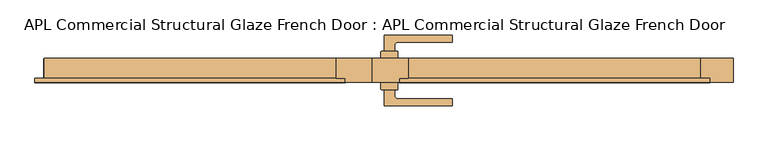
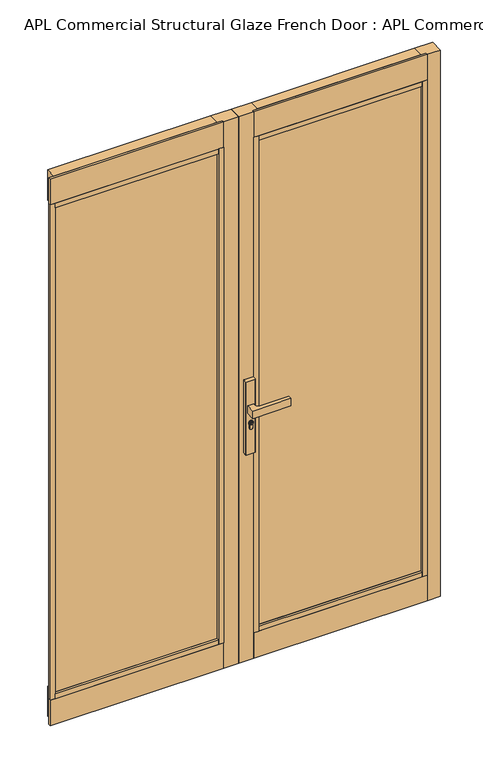
"""IFC4 building model written with IfcOpenShell, lengths in millimetres: door geometry, APL Commercial Structural Glaze French Door : APL Commercial Structural Glaze French Door."""

from ifc_helpers import new_model, si_unit, point, frame, frame_2d, origin, origin_with_axes, place, context, project, spatial, polyline, circle_curve, trimmed, segment, composite_curve, outline, extrude, faceted_brep, source, transform, mapped, element, save


def apl_commercial_structural_glaze_french_door_apl_commercial_c1afeb10(model_context):
    return source(origin(), model_context, "Body", "SolidModel", [
        extrude(outline(composite_curve([segment(trimmed(circle_curve(frame_2d((945.687184, 35.7946715)), 5.9005564), [point((945.687184, 41.6952279))], [point((945.687184, 29.8941151))], False, "CARTESIAN"), True, "CONTINUOUS"), segment(trimmed(circle_curve(frame_2d((945.687184, 35.7946715)), 5.9005564), [point((945.687184, 29.8941151))], [point((945.687184, 41.6952279))], False, "CARTESIAN"), True, "CONTINUOUS")], self_intersect=False), holes=[polyline([(949.7292167, 34.7306001), (949.7292167, 36.7785396), (948.9292167, 36.7785396), (948.3483344, 35.7306001), (947.1634303, 35.7306001), (946.3431864, 36.550844), (944.6002002, 36.550844), (944.0258593, 35.7306001), (941.7685105, 35.7306001), (941.7685105, 34.7306001), (944.5464263, 34.7306001), (945.1207673, 35.550844), (945.9289729, 35.550844), (946.7492167, 34.7306001), (949.7292167, 34.7306001)])]), frame((0.0, 51.3500427, 0.0), z_axis=(0.0, 1.0, 0.0), x_axis=(0.0, 0.0, 1.0)), (0.0, 0.0, 1.0), 4.423715),
        extrude(outline(composite_curve([segment(trimmed(circle_curve(frame_2d((19.1461528, 50.1000422)), 1.0), [point((18.1461528, 50.1000422))], [point((19.1461528, 51.1000422))], False, "CARTESIAN"), True, "CONTINUOUS"), segment(polyline([(19.1461528, 51.1000422), (52.1461525, 51.1000422)]), True, "CONTINUOUS"), segment(trimmed(circle_curve(frame_2d((52.1461525, 50.1000422)), 1.0), [point((52.1461525, 51.1000422))], [point((53.1461525, 50.1000422))], False, "CARTESIAN"), True, "CONTINUOUS"), segment(polyline([(53.1461525, 50.1000422), (53.1461525, 36.1000426), (18.1461528, 36.1000426), (18.1461528, 50.1000422)]), True, "CONTINUOUS")], self_intersect=False)), frame((0.0, 0.0, 822.4734334), z_axis=(0.0, 0.0, 1.0), x_axis=(1.0, 0.0, 0.0)), (0.0, 0.0, 1.0), 287.6450734),
        extrude(outline(composite_curve([segment(polyline([(18.1461528, -27.8999671), (18.1461528, -13.8999674), (53.1461525, -13.8999674), (53.1461525, -27.8999671)]), True, "CONTINUOUS"), segment(trimmed(circle_curve(frame_2d((52.1461525, -27.8999671)), 1.0), [point((53.1461525, -27.8999671))], [point((52.1461525, -28.8999671))], False, "CARTESIAN"), True, "CONTINUOUS"), segment(polyline([(52.1461525, -28.8999671), (19.1461528, -28.8999671)]), True, "CONTINUOUS"), segment(trimmed(circle_curve(frame_2d((19.1461528, -27.8999671)), 1.0), [point((19.1461528, -28.8999671))], [point((18.1461528, -27.8999671))], False, "CARTESIAN"), True, "CONTINUOUS")], self_intersect=False)), frame((0.0, 0.0, 822.4734334), z_axis=(0.0, 0.0, 1.0), x_axis=(1.0, 0.0, 0.0)), (0.0, 0.0, 1.0), 287.6450734),
        extrude(outline(composite_curve([segment(trimmed(circle_curve(frame_2d((945.687184, 35.7946715)), 8.4005564), [point((939.648662, 41.6346715))], [point((939.2521745, 30.3946715))], False, "CARTESIAN"), True, "CONTINUOUS"), segment(polyline([(939.2521745, 30.3946715), (926.2077404, 30.3946715)]), True, "CONTINUOUS"), segment(trimmed(circle_curve(frame_2d((926.2077404, 36.0146715)), 5.62), [point((926.2077404, 30.3946715))], [point((926.2077404, 41.6346715))], False, "CARTESIAN"), True, "CONTINUOUS"), segment(polyline([(926.2077404, 41.6346715), (939.648662, 41.6346715)]), True, "CONTINUOUS")], self_intersect=False), holes=[composite_curve([segment(trimmed(circle_curve(frame_2d((945.687184, 35.7946715)), 6.4005564), [point((945.687184, 42.1952279))], [point((945.687184, 29.3941151))], True, "CARTESIAN"), True, "CONTINUOUS"), segment(trimmed(circle_curve(frame_2d((945.687184, 35.7946715)), 6.4005564), [point((945.687184, 29.3941151))], [point((945.687184, 42.1952279))], True, "CARTESIAN"), True, "CONTINUOUS")], self_intersect=False)]), frame((0.0, 51.3500427, 0.0), z_axis=(0.0, 1.0, 0.0), x_axis=(0.0, 0.0, 1.0)), (0.0, 0.0, 1.0), 3.0593403),
        extrude(outline(composite_curve([segment(trimmed(circle_curve(frame_2d((945.687184, 35.7946715)), 6.4005564), [point((945.687184, 29.3941151))], [point((945.687184, 42.1952279))], False, "CARTESIAN"), True, "CONTINUOUS"), segment(trimmed(circle_curve(frame_2d((945.687184, 35.7946715)), 6.4005564), [point((945.687184, 42.1952279))], [point((945.687184, 29.3941151))], False, "CARTESIAN"), True, "CONTINUOUS")], self_intersect=False), holes=[composite_curve([segment(trimmed(circle_curve(frame_2d((945.687184, 35.7946715)), 5.9005564), [point((945.687184, 29.8941151))], [point((945.687184, 41.6952279))], True, "CARTESIAN"), True, "CONTINUOUS"), segment(trimmed(circle_curve(frame_2d((945.687184, 35.7946715)), 5.9005564), [point((945.687184, 41.6952279))], [point((945.687184, 29.8941151))], True, "CARTESIAN"), True, "CONTINUOUS")], self_intersect=False)]), frame((0.0, 51.3500427, 0.0), z_axis=(0.0, 1.0, 0.0), x_axis=(0.0, 0.0, 1.0)), (0.0, 0.0, 1.0), 3.0593403),
        extrude(outline(composite_curve([segment(polyline([(939.1595834, 30.1946715), (926.2077404, 30.1946715)]), True, "CONTINUOUS"), segment(trimmed(circle_curve(frame_2d((926.2077404, 36.0146715)), 5.82), [point((926.2077404, 30.1946715))], [point((926.2077404, 41.8346715))], False, "CARTESIAN"), True, "CONTINUOUS"), segment(polyline([(926.2077404, 41.8346715), (939.564442, 41.8346715)]), True, "CONTINUOUS"), segment(trimmed(circle_curve(frame_2d((945.687184, 35.7946715)), 8.6005564), [point((939.564442, 41.8346715))], [point((939.1595834, 30.1946715))], False, "CARTESIAN"), True, "CONTINUOUS")], self_intersect=False), holes=[composite_curve([segment(polyline([(926.2077404, 30.3946715), (939.2521745, 30.3946715)]), True, "CONTINUOUS"), segment(trimmed(circle_curve(frame_2d((945.687184, 35.7946715)), 8.4005564), [point((939.2521745, 30.3946715))], [point((939.648662, 41.6346715))], True, "CARTESIAN"), True, "CONTINUOUS"), segment(polyline([(939.648662, 41.6346715), (926.2077404, 41.6346715)]), True, "CONTINUOUS"), segment(trimmed(circle_curve(frame_2d((926.2077404, 36.0146715)), 5.62), [point((926.2077404, 41.6346715))], [point((926.2077404, 30.3946715))], True, "CARTESIAN"), True, "CONTINUOUS")], self_intersect=False)]), frame((0.0, 51.3500427, 0.0), z_axis=(0.0, 1.0, 0.0), x_axis=(0.0, 0.0, 1.0)), (0.0, 0.0, 1.0), 3.0593403),
        extrude(outline(composite_curve([segment(trimmed(circle_curve(frame_2d((91.646153, -851.6499574)), 939.0), [point((24.6461526, 84.9566836))], [point((166.646158, 84.3500422))], False, "CARTESIAN"), True, "CONTINUOUS"), segment(polyline([(166.646158, 84.3500422), (166.646158, 70.3500412), (54.1506874, 70.3500412)]), True, "CONTINUOUS"), segment(trimmed(circle_curve(frame_2d((54.1461526, 62.8500426)), 7.5), [point((54.1506874, 70.3500412))], [point((46.6461526, 62.8500426))], True, "CARTESIAN"), True, "CONTINUOUS"), segment(polyline([(46.6461526, 62.8500426), (46.6461526, 51.3500427), (24.6461526, 51.3500427), (24.6461526, 84.9566836)]), True, "CONTINUOUS")], self_intersect=False)), frame((0.0, 0.0, 985.1796291), z_axis=(0.0, 0.0, 1.0), x_axis=(1.0, 0.0, 0.0)), (0.0, 0.0, 1.0), 29.6407418),
        extrude(outline(composite_curve([segment(trimmed(circle_curve(frame_2d((945.687184, 35.7946715)), 5.9005564), [point((945.687184, 41.6952279))], [point((945.687184, 29.8941151))], False, "CARTESIAN"), True, "CONTINUOUS"), segment(trimmed(circle_curve(frame_2d((945.687184, 35.7946715)), 5.9005564), [point((945.687184, 29.8941151))], [point((945.687184, 41.6952279))], False, "CARTESIAN"), True, "CONTINUOUS")], self_intersect=False), holes=[polyline([(949.7292167, 34.7306001), (949.7292167, 36.7785396), (948.9292167, 36.7785396), (948.3483344, 35.7306001), (947.1634303, 35.7306001), (946.3431864, 36.550844), (944.6002002, 36.550844), (944.0258593, 35.7306001), (941.7685105, 35.7306001), (941.7685105, 34.7306001), (944.5464263, 34.7306001), (945.1207673, 35.550844), (945.9289729, 35.550844), (946.7492167, 34.7306001), (949.7292167, 34.7306001)])]), frame((0.0, -33.5736826, 0.0), z_axis=(0.0, 1.0, 0.0), x_axis=(0.0, 0.0, 1.0)), (0.0, 0.0, 1.0), 4.423715),
        extrude(outline(composite_curve([segment(trimmed(circle_curve(frame_2d((945.687184, 35.7946715)), 8.4005564), [point((939.648662, 41.6346715))], [point((939.2521745, 30.3946715))], False, "CARTESIAN"), True, "CONTINUOUS"), segment(polyline([(939.2521745, 30.3946715), (926.2077404, 30.3946715)]), True, "CONTINUOUS"), segment(trimmed(circle_curve(frame_2d((926.2077404, 36.0146715)), 5.62), [point((926.2077404, 30.3946715))], [point((926.2077404, 41.6346715))], False, "CARTESIAN"), True, "CONTINUOUS"), segment(polyline([(926.2077404, 41.6346715), (939.648662, 41.6346715)]), True, "CONTINUOUS")], self_intersect=False), holes=[composite_curve([segment(trimmed(circle_curve(frame_2d((945.687184, 35.7946715)), 6.4005564), [point((945.687184, 42.1952279))], [point((945.687184, 29.3941151))], True, "CARTESIAN"), True, "CONTINUOUS"), segment(trimmed(circle_curve(frame_2d((945.687184, 35.7946715)), 6.4005564), [point((945.687184, 29.3941151))], [point((945.687184, 42.1952279))], True, "CARTESIAN"), True, "CONTINUOUS")], self_intersect=False)]), frame((0.0, -32.2093079, 0.0), z_axis=(0.0, 1.0, 0.0), x_axis=(0.0, 0.0, 1.0)), (0.0, 0.0, 1.0), 3.0593403),
        extrude(outline(composite_curve([segment(trimmed(circle_curve(frame_2d((945.687184, 35.7946715)), 6.4005564), [point((945.687184, 29.3941151))], [point((945.687184, 42.1952279))], False, "CARTESIAN"), True, "CONTINUOUS"), segment(trimmed(circle_curve(frame_2d((945.687184, 35.7946715)), 6.4005564), [point((945.687184, 42.1952279))], [point((945.687184, 29.3941151))], False, "CARTESIAN"), True, "CONTINUOUS")], self_intersect=False), holes=[composite_curve([segment(trimmed(circle_curve(frame_2d((945.687184, 35.7946715)), 5.9005564), [point((945.687184, 29.8941151))], [point((945.687184, 41.6952279))], True, "CARTESIAN"), True, "CONTINUOUS"), segment(trimmed(circle_curve(frame_2d((945.687184, 35.7946715)), 5.9005564), [point((945.687184, 41.6952279))], [point((945.687184, 29.8941151))], True, "CARTESIAN"), True, "CONTINUOUS")], self_intersect=False)]), frame((0.0, -32.2093079, 0.0), z_axis=(0.0, 1.0, 0.0), x_axis=(0.0, 0.0, 1.0)), (0.0, 0.0, 1.0), 3.0593403),
        extrude(outline(composite_curve([segment(polyline([(939.1595834, 30.1946715), (926.2077404, 30.1946715)]), True, "CONTINUOUS"), segment(trimmed(circle_curve(frame_2d((926.2077404, 36.0146715)), 5.82), [point((926.2077404, 30.1946715))], [point((926.2077404, 41.8346715))], False, "CARTESIAN"), True, "CONTINUOUS"), segment(polyline([(926.2077404, 41.8346715), (939.564442, 41.8346715)]), True, "CONTINUOUS"), segment(trimmed(circle_curve(frame_2d((945.687184, 35.7946715)), 8.6005564), [point((939.564442, 41.8346715))], [point((939.1595834, 30.1946715))], False, "CARTESIAN"), True, "CONTINUOUS")], self_intersect=False), holes=[composite_curve([segment(polyline([(926.2077404, 30.3946715), (939.2521745, 30.3946715)]), True, "CONTINUOUS"), segment(trimmed(circle_curve(frame_2d((945.687184, 35.7946715)), 8.4005564), [point((939.2521745, 30.3946715))], [point((939.648662, 41.6346715))], True, "CARTESIAN"), True, "CONTINUOUS"), segment(polyline([(939.648662, 41.6346715), (926.2077404, 41.6346715)]), True, "CONTINUOUS"), segment(trimmed(circle_curve(frame_2d((926.2077404, 36.0146715)), 5.62), [point((926.2077404, 41.6346715))], [point((926.2077404, 30.3946715))], True, "CARTESIAN"), True, "CONTINUOUS")], self_intersect=False)]), frame((0.0, -32.2093079, 0.0), z_axis=(0.0, 1.0, 0.0), x_axis=(0.0, 0.0, 1.0)), (0.0, 0.0, 1.0), 3.0593403),
        extrude(outline(composite_curve([segment(polyline([(24.6461526, -62.7566084), (24.6461526, -29.1499676), (46.6461526, -29.1499676), (46.6461526, -40.6499674)]), True, "CONTINUOUS"), segment(trimmed(circle_curve(frame_2d((54.1461526, -40.6499674)), 7.5), [point((46.6461526, -40.6499674))], [point((54.1506874, -48.1499661))], True, "CARTESIAN"), True, "CONTINUOUS"), segment(polyline([(54.1506874, -48.1499661), (166.646158, -48.1499661), (166.646158, -62.149967)]), True, "CONTINUOUS"), segment(trimmed(circle_curve(frame_2d((91.646153, 873.8500326)), 939.0), [point((166.646158, -62.149967))], [point((24.6461526, -62.7566084))], False, "CARTESIAN"), True, "CONTINUOUS")], self_intersect=False)), frame((0.0, 0.0, 985.1796291), z_axis=(0.0, 0.0, 1.0), x_axis=(1.0, 0.0, 0.0)), (0.0, 0.0, 1.0), 29.6407418),
        extrude(outline(polyline([(74.9951849, -4.9045752), (74.9951849, -13.8999674), (55.9951829, -13.8999674), (55.9951829, -4.9045752), (74.9951849, -4.9045752)])), frame((0.0, 0.0, 100.0), z_axis=(0.0, 0.0, 1.0), x_axis=(1.0, 0.0, 0.0)), (0.0, 0.0, 1.0), 1953.0001013),
        extrude(outline(polyline([(-56.0, -4.9045752), (-56.0, -13.8999674), (-75.000002, -13.8999674), (-75.000002, -4.9045752), (-56.0, -4.9045752)])), frame((0.0, 0.0, 100.0), z_axis=(0.0, 0.0, 1.0), x_axis=(1.0, 0.0, 0.0)), (0.0, 0.0, 1.0), 1953.0001013),
        faceted_brep([(75.0, 36.1000426, 119.05), (75.0, 36.1000426, 0.0), (75.0, -4.9045752, 0.0), (75.0, -4.9045752, 100.0), (75.0, -4.9045752, 119.05), (684.000022, 36.1000426, 119.05), (684.000022, -4.9045752, 119.05), (684.000022, -4.9045752, 100.0), (684.000022, -4.9045752, 0.0), (684.000022, 36.1000426, 0.0), (703.000024, -4.9045752, 0.0), (703.000024, -13.8999674, 0.0), (56.0654397, -13.8999674, 0.0), (56.0654397, -4.9045752, 0.0), (56.0654397, -4.9045752, 100.0), (56.0654397, -13.8999674, 100.0), (703.000024, -4.9045752, 100.0), (703.000024, -13.8999674, 100.0)], [[[0, 1, 2, 3, 4]], [[5, 6, 7, 8, 9]], [[0, 5, 9, 1]], [[4, 6, 5, 0]], [[4, 3, 7, 6]], [[1, 9, 8, 10, 11, 12, 13, 2]], [[14, 13, 12, 15]], [[16, 17, 11, 10]], [[10, 8, 7, 16]], [[14, 3, 2, 13]], [[15, 17, 16, 7, 3, 14]], [[12, 11, 17, 15]]]),
        extrude(outline(polyline([(0.0, 36.1000426), (75.0, 36.1000426), (75.0, -4.9045752), (56.0, -4.9045752), (56.0, -13.8999674), (0.0, -13.8999674), (0.0, 36.1000426)])), origin_with_axes(), (0.0, 0.0, 1.0), 2153.0501013),
        extrude(outline(polyline([(0.0, 36.1000326), (0.0, -13.8999674), (-56.0, -13.8999674), (-56.0, -4.9045752), (-75.000002, -4.9045752), (-75.000002, 36.1000326), (0.0, 36.1000326)])), origin_with_axes(), (0.0, 0.0, 1.0), 2153.0501013),
        extrude(outline(polyline([(-75.0, -4.9045752), (-683.90533, -4.9045752), (-683.90533, 16.0954248), (-75.0, 16.0954248), (-75.0, -4.9045752)])), frame((0.0, 0.0, 119.05), z_axis=(0.0, 0.0, 1.0), x_axis=(1.0, 0.0, 0.0)), (0.0, 0.0, 1.0), 1914.9500992),
        extrude(outline(polyline([(-56.0, -13.8999674), (-702.9042559, -13.8999674), (-702.9042559, -4.9045752), (-56.0, -4.9045752), (-56.0, -13.8999674)])), frame((0.0, 0.0, 2053.0001013), z_axis=(0.0, 0.0, 1.0), x_axis=(1.0, 0.0, 0.0)), (0.0, 0.0, 1.0), 100.05),
        extrude(outline(polyline([(-75.000002, -4.9045752), (-683.90533, -4.9045752), (-683.90533, 36.1000651), (-75.000002, 36.1000651), (-75.000002, -4.9045752)])), frame((0.0, 0.0, 2034.0001013), z_axis=(0.0, 0.0, 1.0), x_axis=(1.0, 0.0, 0.0)), (0.0, 0.0, 1.0), 119.05),
        extrude(outline(polyline([(-75.000002, -4.9045752), (-684.0010981, -4.9045752), (-684.0010981, 36.1000651), (-75.000002, 36.1000651), (-75.000002, -4.9045752)])), origin_with_axes(), (0.0, 0.0, 1.0), 119.05),
        extrude(outline(polyline([(-75.000002, -13.8999674), (-683.90533, -13.8999674), (-683.90533, -4.9045752), (-75.000002, -4.9045752), (-75.000002, -13.8999674)])), frame((0.0, 0.0, 2034.0001013), z_axis=(0.0, 0.0, 1.0), x_axis=(1.0, 0.0, 0.0)), (0.0, 0.0, 1.0), 19.0),
        extrude(outline(polyline([(-75.000002, -13.8999674), (-683.90533, -13.8999674), (-683.90533, -4.9045752), (-75.000002, -4.9045752), (-75.000002, -13.8999674)])), frame((0.0, 0.0, 100.0), z_axis=(0.0, 0.0, 1.0), x_axis=(1.0, 0.0, 0.0)), (0.0, 0.0, 1.0), 19.05),
        extrude(outline(polyline([(-56.0, -13.8999674), (-702.9042559, -13.8999674), (-702.9042559, -4.9045752), (-56.0, -4.9045752), (-56.0, -13.8999674)])), origin_with_axes(), (0.0, 0.0, 1.0), 100.0),
        extrude(outline(polyline([(75.0, -4.9045752), (75.0, 16.0954248), (684.000022, 16.0954248), (684.000022, -4.9045752), (75.0, -4.9045752)])), frame((0.0, 0.0, 119.05), z_axis=(0.0, 0.0, 1.0), x_axis=(1.0, 0.0, 0.0)), (0.0, 0.0, 1.0), 1914.9500992),
        extrude(outline(polyline([(684.000022, -4.9045752), (703.000024, -4.9045752), (703.000024, -13.8999674), (684.000022, -13.8999674), (684.000022, -4.9045752)])), frame((0.0, 0.0, 100.0), z_axis=(0.0, 0.0, 1.0), x_axis=(1.0, 0.0, 0.0)), (0.0, 0.0, 1.0), 1953.0001013),
        extrude(outline(polyline([(56.0654397, -4.9045752), (703.000024, -4.9045752), (703.000024, -13.8999674), (56.0654397, -13.8999674), (56.0654397, -4.9045752)])), frame((0.0, 0.0, 2053.0001013), z_axis=(0.0, 0.0, 1.0), x_axis=(1.0, 0.0, 0.0)), (0.0, 0.0, 1.0), 100.05),
        extrude(outline(polyline([(75.0, 36.1000651), (684.000022, 36.1000651), (684.000022, -4.9045752), (75.0, -4.9045752), (75.0, 36.1000651)])), frame((0.0, 0.0, 2034.0001013), z_axis=(0.0, 0.0, 1.0), x_axis=(1.0, 0.0, 0.0)), (0.0, 0.0, 1.0), 119.05),
        extrude(outline(polyline([(75.0, -4.9045752), (684.000022, -4.9045752), (684.000022, -13.8999674), (75.0, -13.8999674), (75.0, -4.9045752)])), frame((0.0, 0.0, 2034.0001013), z_axis=(0.0, 0.0, 1.0), x_axis=(1.0, 0.0, 0.0)), (0.0, 0.0, 1.0), 19.0),
        extrude(outline(polyline([(75.0, -4.9045752), (684.000022, -4.9045752), (684.000022, -13.8999674), (75.0, -13.8999674), (75.0, -4.9045752)])), frame((0.0, 0.0, 100.0), z_axis=(0.0, 0.0, 1.0), x_axis=(1.0, 0.0, 0.0)), (0.0, 0.0, 1.0), 19.05),
        extrude(outline(polyline([(-683.90533, -4.9045752), (-683.90533, -13.8999674), (-702.9042559, -13.8999674), (-702.9042559, -4.9045752), (-683.90533, -4.9045752)])), frame((0.0, 0.0, 100.0), z_axis=(0.0, 0.0, 1.0), x_axis=(1.0, 0.0, 0.0)), (0.0, 0.0, 1.0), 1953.0001013),
        extrude(outline(polyline([(684.000022, 36.1000651), (752.0000844, 36.1000651), (752.0000844, -13.8999674), (703.000024, -13.8999674), (703.000024, -4.9045752), (684.000022, -4.9045752), (684.000022, 36.1000651)])), origin_with_axes(), (0.0, 0.0, 1.0), 2153.0501013),
    ])


if __name__ == "__main__":
    model = new_model("IFC4")
    model_context = context("Model", 3, world=origin())
    ifc_project = project(units=[si_unit("LENGTHUNIT", "METRE", prefix="MILLI")], contexts=[model_context])
    site = spatial("IfcSite", under=ifc_project)
    building = spatial("IfcBuilding", under=site)
    placement = place(None, origin())
    apl_commercial_structural_glaze_french_door_apl_commercial_shape = apl_commercial_structural_glaze_french_door_apl_commercial_c1afeb10(model_context)
    element("IfcDoor", 1, ObjectType="APL Commercial Structural Glaze French Door : APL Commercial Structural Glaze French Door", at=placement, inside=building, context=model_context, shape_type="MappedRepresentation", body=[
        mapped(apl_commercial_structural_glaze_french_door_apl_commercial_shape, transform((0.0, 0.0, 0.0), x_axis=(1.0, 0.0, 0.0), y_axis=(0.0, 1.0, 0.0), z_axis=(0.0, 0.0, 1.0))),
    ])
    save(model, "model.ifc")
